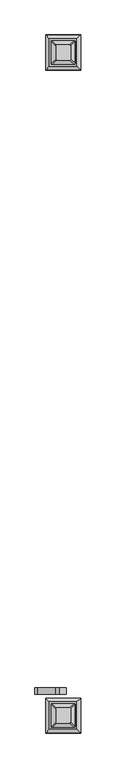
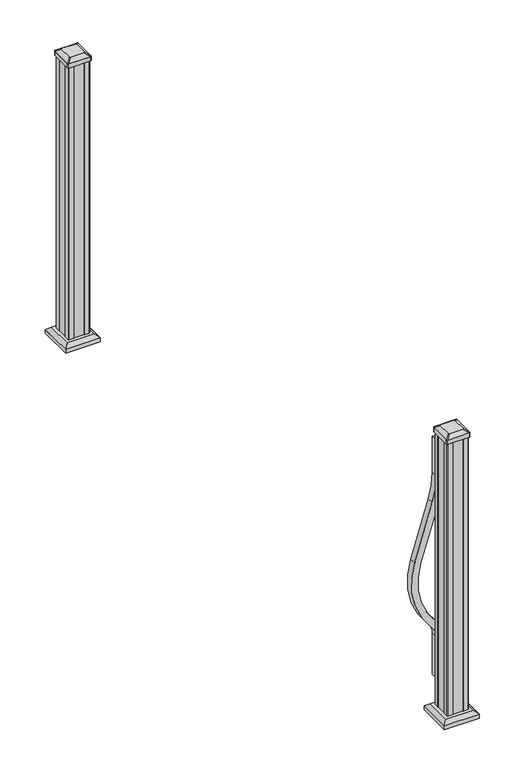
"""IFC4 building model written with IfcOpenShell, lengths in millimetres: railing geometry."""

from ifc_helpers import new_model, si_unit, point, frame, frame_2d, origin, origin_with_axes, place, context, project, spatial, polyline, circle_curve, trimmed, segment, composite_curve, outline, extrude, faceted_brep, source, transform, mapped, element, save
from ifc_brep_helpers import plane_surface, extruded_surface, advanced_brep


def railing_08b2ce3e(model_context):
    return source(origin(), model_context, "Body", "SolidModel", [
        extrude(outline(composite_curve([segment(trimmed(circle_curve(frame_2d((921.03216, 2862.7654779)), 347.3), [point((921.03216, 3210.0654779))], [point((819.491467, 3194.8901197))], True, "CARTESIAN"), True, "CONTINUOUS"), segment(polyline([(819.491467, 3194.8901197), (597.6384377, 3127.0628419)]), True, "CONTINUOUS"), segment(trimmed(circle_curve(frame_2d((512.0612397, 3406.9732439)), 292.7), [point((597.6384377, 3127.0628419))], [point((317.0275666, 3188.7184471))], False, "CARTESIAN"), True, "CONTINUOUS"), segment(polyline([(317.0275666, 3188.7184471), (310.8708524, 3194.2201204)]), True, "CONTINUOUS"), segment(trimmed(circle_curve(frame_2d((269.3587313, 3147.7654779)), 62.3), [point((310.8708524, 3194.2201204))], [point((269.3587313, 3210.0654779))], True, "CARTESIAN"), True, "CONTINUOUS"), segment(polyline([(269.3587313, 3210.0654779), (101.5958781, 3210.0654779), (101.5958781, 3235.4654779), (269.3587313, 3235.4654779)]), True, "CONTINUOUS"), segment(trimmed(circle_curve(frame_2d((269.3587313, 3147.7654779)), 87.7), [point((269.3587313, 3235.4654779))], [point((327.7955374, 3213.1598943))], False, "CARTESIAN"), True, "CONTINUOUS"), segment(polyline([(327.7955374, 3213.1598943), (333.9522516, 3207.6582211)]), True, "CONTINUOUS"), segment(trimmed(circle_curve(frame_2d((512.0612397, 3406.9732439)), 267.3), [point((333.9522516, 3207.6582211))], [point((590.2121964, 3151.3529827))], True, "CARTESIAN"), True, "CONTINUOUS"), segment(polyline([(590.2121964, 3151.3529827), (812.0652257, 3219.1802605)]), True, "CONTINUOUS"), segment(trimmed(circle_curve(frame_2d((921.03216, 2862.7654779)), 372.7), [point((812.0652257, 3219.1802605))], [point((921.03216, 3235.4654779))], False, "CARTESIAN"), True, "CONTINUOUS"), segment(polyline([(921.03216, 3235.4654779), (1066.8, 3235.4654779), (1066.8, 3210.0654779), (921.03216, 3210.0654779)]), True, "CONTINUOUS")], self_intersect=False)), frame((0.0, -43716.9493589, 0.0), z_axis=(0.0, 1.0, 0.0), x_axis=(0.0, 0.0, 1.0)), (0.0, 0.0, 1.0), 25.4),
        faceted_brep([(3170.1795404, -41329.3572964, 28.575), (3275.3514154, -41329.3572964, 28.575), (3275.3514154, -41224.1854214, 28.575), (3170.1795404, -41224.1854214, 28.575), (3156.1400873, -41343.3967496, 15.24), (3156.1400873, -41210.1459683, 15.24), (3289.3908686, -41210.1459683, 15.24), (3289.3908686, -41343.3967496, 15.24)], [[[0, 1, 2, 3]], [[4, 5, 6, 7]], [[4, 7, 1, 0]], [[7, 6, 2, 1]], [[6, 5, 3, 2]], [[5, 4, 0, 3]]]),
        extrude(outline(polyline([(3156.1400873, -41343.3967496), (3156.1400873, -41210.1459683), (3289.3908686, -41210.1459683), (3289.3908686, -41343.3967496), (3156.1400873, -41343.3967496)])), origin_with_axes(), (0.0, 0.0, 1.0), 15.24),
        advanced_brep(
        [(3248.5623529, -41305.7432339, 1165.225), (3251.7373529, -41302.5682339, 1165.225), (3251.7373529, -41250.9744839, 1165.225), (3248.5623529, -41247.7994839, 1165.225), (3196.9686029, -41247.7994839, 1165.225), (3193.7936029, -41250.9744839, 1165.225), (3193.7936029, -41302.5682339, 1165.225), (3196.9686029, -41305.7432339, 1165.225), (3264.8342279, -41322.0151089, 1153.922), (3180.6967279, -41322.0151089, 1153.922), (3177.5217279, -41318.8401089, 1153.922), (3177.5217279, -41234.7026089, 1153.922), (3180.6967279, -41231.5276089, 1153.922), (3264.8342279, -41231.5276089, 1153.922), (3268.0092279, -41234.7026089, 1153.922), (3268.0092279, -41318.8401089, 1153.922)],
        [
            (0, 1, circle_curve(frame((3248.5623529, -41302.5682339, 1165.225), z_axis=(0.0, 0.0, 1.0), x_axis=(0.0, 1.0, 0.0)), 3.175)),
            (1, 2),
            (2, 3, circle_curve(frame((3248.5623529, -41250.9744839, 1165.225), z_axis=(0.0, 0.0, 1.0), x_axis=(0.0, 1.0, 0.0)), 3.175)),
            (3, 4),
            (4, 5, circle_curve(frame((3196.9686029, -41250.9744839, 1165.225), z_axis=(0.0, 0.0, 1.0), x_axis=(0.0, 1.0, 0.0)), 3.175)),
            (5, 6),
            (6, 7, circle_curve(frame((3196.9686029, -41302.5682339, 1165.225), z_axis=(0.0, 0.0, 1.0), x_axis=(0.0, 1.0, 0.0)), 3.175)),
            (7, 0),
            (8, 9),
            (9, 10, circle_curve(frame((3180.6967279, -41318.8401089, 1153.922), z_axis=(0.0, 0.0, -1.0), x_axis=(0.0, 1.0, 0.0)), 3.175)),
            (10, 11),
            (11, 12, circle_curve(frame((3180.6967279, -41234.7026089, 1153.922), z_axis=(0.0, 0.0, -1.0), x_axis=(0.0, 1.0, 0.0)), 3.175)),
            (12, 13),
            (13, 14, circle_curve(frame((3264.8342279, -41234.7026089, 1153.922), z_axis=(0.0, 0.0, -1.0), x_axis=(0.0, 1.0, 0.0)), 3.175)),
            (14, 15),
            (15, 8, circle_curve(frame((3264.8342279, -41318.8401089, 1153.922), z_axis=(0.0, 0.0, -1.0), x_axis=(0.0, 1.0, 0.0)), 3.175)),
            (15, 1),
            (0, 8),
            (14, 2),
            (13, 3),
            (12, 4),
            (11, 5),
            (10, 6),
            (9, 7),
        ],
        [
            plane_surface(frame((3222.7654779, -41276.7713589, 1165.225), z_axis=(0.0, 0.0, 1.0), x_axis=(1.0, 0.0, 0.0))),
            plane_surface(frame((3222.7654779, -41276.7713589, 1153.922), z_axis=(0.0, 0.0, -1.0), x_axis=(1.0, 0.0, 0.0))),
            extruded_surface(trimmed(circle_curve(frame((3264.8342279, -41318.8401089, 1153.922), z_axis=(0.0, 0.0, 1.0), x_axis=(0.0, 1.0, 0.0)), 3.175), [point((3264.8342279, -41322.0151089, 1153.922))], [point((3268.0092279, -41318.8401089, 1153.922))], True, "CARTESIAN"), (-16.27187499999991, 16.27187500000582, 11.302999999999884), 25.637972638869748),
            plane_surface(frame((3268.0092279, -41276.7713589, 1153.922), z_axis=(0.5705009161540777, 0.0, 0.8212969649690409), x_axis=(0.0, 1.0, 0.0))),
            extruded_surface(trimmed(circle_curve(frame((3264.8342279, -41234.7026089, 1153.922), z_axis=(0.0, 0.0, 1.0), x_axis=(0.0, 1.0, 0.0)), 3.175), [point((3268.0092279, -41234.7026089, 1153.922))], [point((3264.8342279, -41231.5276089, 1153.922))], True, "CARTESIAN"), (-16.27187499999991, -16.271874999998545, 11.302999999999884), 25.63797263886513),
            plane_surface(frame((3222.7654779, -41231.5276089, 1153.922), z_axis=(0.0, 0.5705009161540291, 0.8212969649690747), x_axis=(-1.0, 0.0, 0.0))),
            extruded_surface(trimmed(circle_curve(frame((3180.6967279, -41234.7026089, 1153.922), z_axis=(0.0, 0.0, 1.0), x_axis=(0.0, 1.0, 0.0)), 3.175), [point((3180.6967279, -41231.5276089, 1153.922))], [point((3177.5217279, -41234.7026089, 1153.922))], True, "CARTESIAN"), (16.27187499999991, -16.271874999998545, 11.302999999999884), 25.63797263886513),
            plane_surface(frame((3177.5217279, -41276.7713589, 1153.922), z_axis=(-0.5705009161540143, 0.0, 0.821296964969085), x_axis=(0.0, -1.0, 0.0))),
            extruded_surface(trimmed(circle_curve(frame((3180.6967279, -41318.8401089, 1153.922), z_axis=(0.0, 0.0, 1.0), x_axis=(0.0, 1.0, 0.0)), 3.175), [point((3177.5217279, -41318.8401089, 1153.922))], [point((3180.6967279, -41322.0151089, 1153.922))], True, "CARTESIAN"), (16.27187499999991, 16.27187500000582, 11.302999999999884), 25.637972638869748),
            plane_surface(frame((3222.7654779, -41322.0151089, 1153.922), z_axis=(0.0, -0.570500916154034, 0.8212969649690713), x_axis=(1.0, 0.0, 0.0))),
        ],
        [
            (0, [[1, 2, 3, 4, 5, 6, 7, 8]]),
            (1, [[9, 10, 11, 12, 13, 14, 15, 16]]),
            (2, [[-16, 17, -1, 18]]),
            (3, [[-15, 19, -2, -17]]),
            (4, [[-14, 20, -3, -19]]),
            (5, [[-13, 21, -4, -20]]),
            (6, [[-12, 22, -5, -21]]),
            (7, [[-11, 23, -6, -22]]),
            (8, [[-10, 24, -7, -23]]),
            (9, [[-9, -18, -8, -24]]),
        ],
    ),
        extrude(outline(composite_curve([segment(polyline([(3264.8342279, -41322.0151089), (3180.6967279, -41322.0151089)]), True, "CONTINUOUS"), segment(trimmed(circle_curve(frame_2d((3180.6967279, -41318.8401089)), 3.175), [point((3180.6967279, -41322.0151089))], [point((3177.5217279, -41318.8401089))], False, "CARTESIAN"), True, "CONTINUOUS"), segment(polyline([(3177.5217279, -41318.8401089), (3177.5217279, -41234.7026089)]), True, "CONTINUOUS"), segment(trimmed(circle_curve(frame_2d((3180.6967279, -41234.7026089)), 3.175), [point((3177.5217279, -41234.7026089))], [point((3180.6967279, -41231.5276089))], False, "CARTESIAN"), True, "CONTINUOUS"), segment(polyline([(3180.6967279, -41231.5276089), (3264.8342279, -41231.5276089)]), True, "CONTINUOUS"), segment(trimmed(circle_curve(frame_2d((3264.8342279, -41234.7026089)), 3.175), [point((3264.8342279, -41231.5276089))], [point((3268.0092279, -41234.7026089))], False, "CARTESIAN"), True, "CONTINUOUS"), segment(polyline([(3268.0092279, -41234.7026089), (3268.0092279, -41318.8401089)]), True, "CONTINUOUS"), segment(trimmed(circle_curve(frame_2d((3264.8342279, -41318.8401089)), 3.175), [point((3268.0092279, -41318.8401089))], [point((3264.8342279, -41322.0151089))], False, "CARTESIAN"), True, "CONTINUOUS")], self_intersect=False)), frame((0.0, 0.0, 1136.65), z_axis=(0.0, 0.0, 1.0), x_axis=(1.0, 0.0, 0.0)), (0.0, 0.0, 1.0), 17.272),
        extrude(outline(polyline([(3262.4529779, -41318.0463589), (3242.8314779, -41318.0463589), (3242.0694779, -41316.4588589), (3203.4614779, -41316.4588589), (3202.6994779, -41318.0463589), (3183.0779779, -41318.0463589), (3181.4904779, -41316.4588589), (3181.4904779, -41296.8373589), (3183.0779779, -41296.0753589), (3183.0779779, -41257.4673589), (3181.4904779, -41256.7053589), (3181.4904779, -41237.0838589), (3183.0779779, -41235.4963589), (3202.6994779, -41235.4963589), (3203.4614779, -41237.0838589), (3242.0694779, -41237.0838589), (3242.8314779, -41235.4963589), (3262.4529779, -41235.4963589), (3264.0404779, -41237.0838589), (3264.0404779, -41256.7053589), (3262.4529779, -41257.4673589), (3262.4529779, -41296.0753589), (3264.0404779, -41296.8373589), (3264.0404779, -41316.4588589), (3262.4529779, -41318.0463589)])), origin_with_axes(), (0.0, 0.0, 1.0), 1136.65),
        faceted_brep([(3170.1795404, -43850.5612964, 28.575), (3275.3514154, -43850.5612964, 28.575), (3275.3514154, -43745.3894214, 28.575), (3170.1795404, -43745.3894214, 28.575), (3156.1400873, -43864.6007496, 15.24), (3156.1400873, -43731.3499683, 15.24), (3289.3908686, -43731.3499683, 15.24), (3289.3908686, -43864.6007496, 15.24)], [[[0, 1, 2, 3]], [[4, 5, 6, 7]], [[4, 7, 1, 0]], [[7, 6, 2, 1]], [[6, 5, 3, 2]], [[5, 4, 0, 3]]]),
        extrude(outline(polyline([(3156.1400873, -43864.6007496), (3156.1400873, -43731.3499683), (3289.3908686, -43731.3499683), (3289.3908686, -43864.6007496), (3156.1400873, -43864.6007496)])), origin_with_axes(), (0.0, 0.0, 1.0), 15.24),
        advanced_brep(
        [(3248.5623529, -43826.9472339, 1165.225), (3251.7373529, -43823.7722339, 1165.225), (3251.7373529, -43772.1784839, 1165.225), (3248.5623529, -43769.0034839, 1165.225), (3196.9686029, -43769.0034839, 1165.225), (3193.7936029, -43772.1784839, 1165.225), (3193.7936029, -43823.7722339, 1165.225), (3196.9686029, -43826.9472339, 1165.225), (3264.8342279, -43843.2191089, 1153.922), (3180.6967279, -43843.2191089, 1153.922), (3177.5217279, -43840.0441089, 1153.922), (3177.5217279, -43755.9066089, 1153.922), (3180.6967279, -43752.7316089, 1153.922), (3264.8342279, -43752.7316089, 1153.922), (3268.0092279, -43755.9066089, 1153.922), (3268.0092279, -43840.0441089, 1153.922)],
        [
            (0, 1, circle_curve(frame((3248.5623529, -43823.7722339, 1165.225), z_axis=(0.0, 0.0, 1.0), x_axis=(0.0, 1.0, 0.0)), 3.175)),
            (1, 2),
            (2, 3, circle_curve(frame((3248.5623529, -43772.1784839, 1165.225), z_axis=(0.0, 0.0, 1.0), x_axis=(0.0, 1.0, 0.0)), 3.175)),
            (3, 4),
            (4, 5, circle_curve(frame((3196.9686029, -43772.1784839, 1165.225), z_axis=(0.0, 0.0, 1.0), x_axis=(0.0, 1.0, 0.0)), 3.175)),
            (5, 6),
            (6, 7, circle_curve(frame((3196.9686029, -43823.7722339, 1165.225), z_axis=(0.0, 0.0, 1.0), x_axis=(0.0, 1.0, 0.0)), 3.175)),
            (7, 0),
            (8, 9),
            (9, 10, circle_curve(frame((3180.6967279, -43840.0441089, 1153.922), z_axis=(0.0, 0.0, -1.0), x_axis=(0.0, 1.0, 0.0)), 3.175)),
            (10, 11),
            (11, 12, circle_curve(frame((3180.6967279, -43755.9066089, 1153.922), z_axis=(0.0, 0.0, -1.0), x_axis=(0.0, 1.0, 0.0)), 3.175)),
            (12, 13),
            (13, 14, circle_curve(frame((3264.8342279, -43755.9066089, 1153.922), z_axis=(0.0, 0.0, -1.0), x_axis=(0.0, 1.0, 0.0)), 3.175)),
            (14, 15),
            (15, 8, circle_curve(frame((3264.8342279, -43840.0441089, 1153.922), z_axis=(0.0, 0.0, -1.0), x_axis=(0.0, 1.0, 0.0)), 3.175)),
            (15, 1),
            (0, 8),
            (14, 2),
            (13, 3),
            (12, 4),
            (11, 5),
            (10, 6),
            (9, 7),
        ],
        [
            plane_surface(frame((3222.7654779, -43797.9753589, 1165.225), z_axis=(0.0, 0.0, 1.0), x_axis=(1.0, 0.0, 0.0))),
            plane_surface(frame((3222.7654779, -43797.9753589, 1153.922), z_axis=(0.0, 0.0, -1.0), x_axis=(1.0, 0.0, 0.0))),
            extruded_surface(trimmed(circle_curve(frame((3264.8342279, -43840.0441089, 1153.922), z_axis=(0.0, 0.0, 1.0), x_axis=(0.0, 1.0, 0.0)), 3.175), [point((3264.8342279, -43843.2191089, 1153.922))], [point((3268.0092279, -43840.0441089, 1153.922))], True, "CARTESIAN"), (-16.27187499999991, 16.271874999998545, 11.302999999999884), 25.63797263886513),
            plane_surface(frame((3268.0092279, -43797.9753589, 1153.922), z_axis=(0.5705009161540777, 0.0, 0.8212969649690409), x_axis=(0.0, 1.0, 0.0))),
            extruded_surface(trimmed(circle_curve(frame((3264.8342279, -43755.9066089, 1153.922), z_axis=(0.0, 0.0, 1.0), x_axis=(0.0, 1.0, 0.0)), 3.175), [point((3268.0092279, -43755.9066089, 1153.922))], [point((3264.8342279, -43752.7316089, 1153.922))], True, "CARTESIAN"), (-16.27187499999991, -16.27187500000582, 11.302999999999884), 25.637972638869748),
            plane_surface(frame((3222.7654779, -43752.7316089, 1153.922), z_axis=(0.0, 0.5705009161540291, 0.8212969649690747), x_axis=(-1.0, 0.0, 0.0))),
            extruded_surface(trimmed(circle_curve(frame((3180.6967279, -43755.9066089, 1153.922), z_axis=(0.0, 0.0, 1.0), x_axis=(0.0, 1.0, 0.0)), 3.175), [point((3180.6967279, -43752.7316089, 1153.922))], [point((3177.5217279, -43755.9066089, 1153.922))], True, "CARTESIAN"), (16.27187499999991, -16.27187500000582, 11.302999999999884), 25.637972638869748),
            plane_surface(frame((3177.5217279, -43797.9753589, 1153.922), z_axis=(-0.5705009161540143, 0.0, 0.821296964969085), x_axis=(0.0, -1.0, 0.0))),
            extruded_surface(trimmed(circle_curve(frame((3180.6967279, -43840.0441089, 1153.922), z_axis=(0.0, 0.0, 1.0), x_axis=(0.0, 1.0, 0.0)), 3.175), [point((3177.5217279, -43840.0441089, 1153.922))], [point((3180.6967279, -43843.2191089, 1153.922))], True, "CARTESIAN"), (16.27187499999991, 16.271874999998545, 11.302999999999884), 25.63797263886513),
            plane_surface(frame((3222.7654779, -43843.2191089, 1153.922), z_axis=(0.0, -0.570500916154034, 0.8212969649690713), x_axis=(1.0, 0.0, 0.0))),
        ],
        [
            (0, [[1, 2, 3, 4, 5, 6, 7, 8]]),
            (1, [[9, 10, 11, 12, 13, 14, 15, 16]]),
            (2, [[-16, 17, -1, 18]]),
            (3, [[-15, 19, -2, -17]]),
            (4, [[-14, 20, -3, -19]]),
            (5, [[-13, 21, -4, -20]]),
            (6, [[-12, 22, -5, -21]]),
            (7, [[-11, 23, -6, -22]]),
            (8, [[-10, 24, -7, -23]]),
            (9, [[-9, -18, -8, -24]]),
        ],
    ),
        extrude(outline(composite_curve([segment(polyline([(3264.8342279, -43843.2191089), (3180.6967279, -43843.2191089)]), True, "CONTINUOUS"), segment(trimmed(circle_curve(frame_2d((3180.6967279, -43840.0441089)), 3.175), [point((3180.6967279, -43843.2191089))], [point((3177.5217279, -43840.0441089))], False, "CARTESIAN"), True, "CONTINUOUS"), segment(polyline([(3177.5217279, -43840.0441089), (3177.5217279, -43755.9066089)]), True, "CONTINUOUS"), segment(trimmed(circle_curve(frame_2d((3180.6967279, -43755.9066089)), 3.175), [point((3177.5217279, -43755.9066089))], [point((3180.6967279, -43752.7316089))], False, "CARTESIAN"), True, "CONTINUOUS"), segment(polyline([(3180.6967279, -43752.7316089), (3264.8342279, -43752.7316089)]), True, "CONTINUOUS"), segment(trimmed(circle_curve(frame_2d((3264.8342279, -43755.9066089)), 3.175), [point((3264.8342279, -43752.7316089))], [point((3268.0092279, -43755.9066089))], False, "CARTESIAN"), True, "CONTINUOUS"), segment(polyline([(3268.0092279, -43755.9066089), (3268.0092279, -43840.0441089)]), True, "CONTINUOUS"), segment(trimmed(circle_curve(frame_2d((3264.8342279, -43840.0441089)), 3.175), [point((3268.0092279, -43840.0441089))], [point((3264.8342279, -43843.2191089))], False, "CARTESIAN"), True, "CONTINUOUS")], self_intersect=False)), frame((0.0, 0.0, 1136.65), z_axis=(0.0, 0.0, 1.0), x_axis=(1.0, 0.0, 0.0)), (0.0, 0.0, 1.0), 17.272),
        extrude(outline(polyline([(3262.4529779, -43839.2503589), (3242.8314779, -43839.2503589), (3242.0694779, -43837.6628589), (3203.4614779, -43837.6628589), (3202.6994779, -43839.2503589), (3183.0779779, -43839.2503589), (3181.4904779, -43837.6628589), (3181.4904779, -43818.0413589), (3183.0779779, -43817.2793589), (3183.0779779, -43778.6713589), (3181.4904779, -43777.9093589), (3181.4904779, -43758.2878589), (3183.0779779, -43756.7003589), (3202.6994779, -43756.7003589), (3203.4614779, -43758.2878589), (3242.0694779, -43758.2878589), (3242.8314779, -43756.7003589), (3262.4529779, -43756.7003589), (3264.0404779, -43758.2878589), (3264.0404779, -43777.9093589), (3262.4529779, -43778.6713589), (3262.4529779, -43817.2793589), (3264.0404779, -43818.0413589), (3264.0404779, -43837.6628589), (3262.4529779, -43839.2503589)])), origin_with_axes(), (0.0, 0.0, 1.0), 1136.65),
    ])


if __name__ == "__main__":
    model = new_model("IFC4")
    model_context = context("Model", 3, world=origin())
    ifc_project = project(units=[si_unit("LENGTHUNIT", "METRE", prefix="MILLI")], contexts=[model_context])
    site = spatial("IfcSite", under=ifc_project)
    building = spatial("IfcBuilding", under=site)
    placement = place(None, origin())
    railing_shape = railing_08b2ce3e(model_context)
    element("IfcRailing", 1, at=placement, inside=building, context=model_context, shape_type="MappedRepresentation", body=[
        mapped(railing_shape, transform((0.0, 0.0, 0.0), x_axis=(1.0, 0.0, 0.0), y_axis=(0.0, 1.0, 0.0), z_axis=(0.0, 0.0, 1.0))),
    ])
    save(model, "model.ifc")
